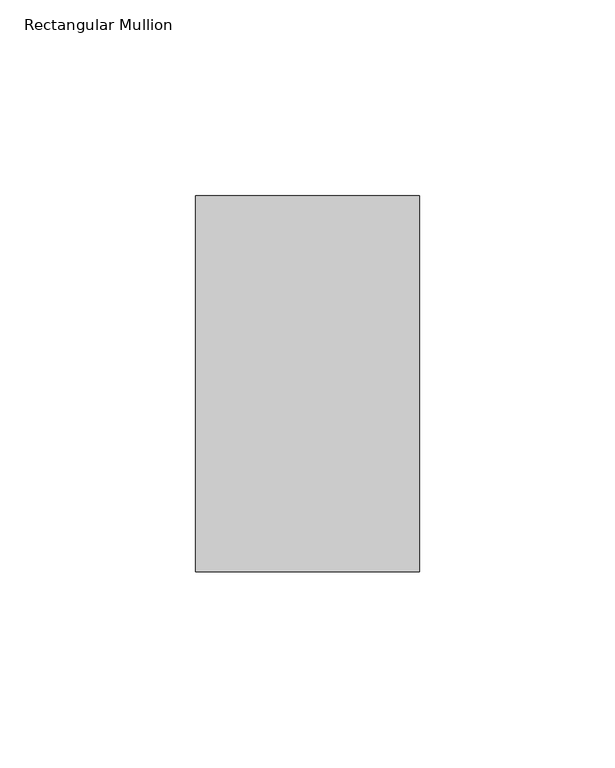
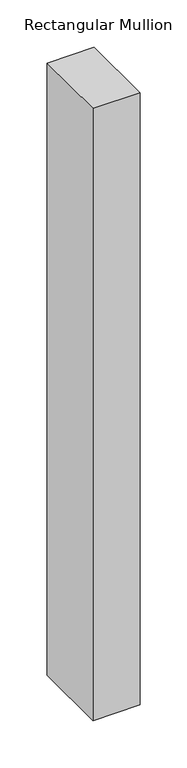
"""IFC4 building model written with IfcOpenShell, lengths in millimetres: member geometry, Rectangular Mullion."""

from ifc_helpers import new_model, si_unit, frame, origin, place, context, project, spatial, polyline, outline, extrude, source, transform, mapped, element, save


def rectangular_mullion_7f17d442(model_context):
    return source(origin(), model_context, "Body", "SweptSolid", [
        extrude(outline(polyline([(-28.575, 55.959375), (-28.575, 151.971375), (28.575, 151.971375), (28.575, 55.959375), (-28.575, 55.959375)])), frame((0.0, 0.0, -787.4), z_axis=(0.0, 0.0, 1.0), x_axis=(1.0, 0.0, 0.0)), (0.0, 0.0, 1.0), 787.4),
    ])


if __name__ == "__main__":
    model = new_model("IFC4")
    model_context = context("Model", 3, world=origin())
    ifc_project = project(units=[si_unit("LENGTHUNIT", "METRE", prefix="MILLI")], contexts=[model_context])
    site = spatial("IfcSite", under=ifc_project)
    building = spatial("IfcBuilding", under=site)
    placement = place(None, origin())
    rectangular_mullion_shape = rectangular_mullion_7f17d442(model_context)
    element("IfcMember", 1, ObjectType="Rectangular Mullion", at=placement, inside=building, context=model_context, shape_type="MappedRepresentation", body=[
        mapped(rectangular_mullion_shape, transform((0.0, 0.0, 0.0), x_axis=(1.0, 0.0, 0.0), y_axis=(0.0, 1.0, 0.0), z_axis=(0.0, 0.0, 1.0))),
    ])
    save(model, "model.ifc")
